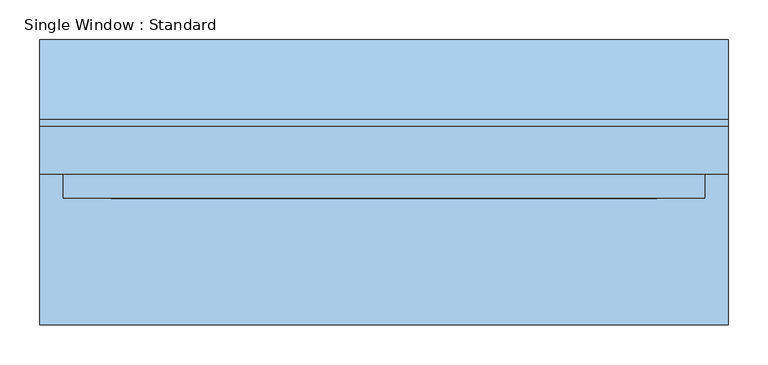
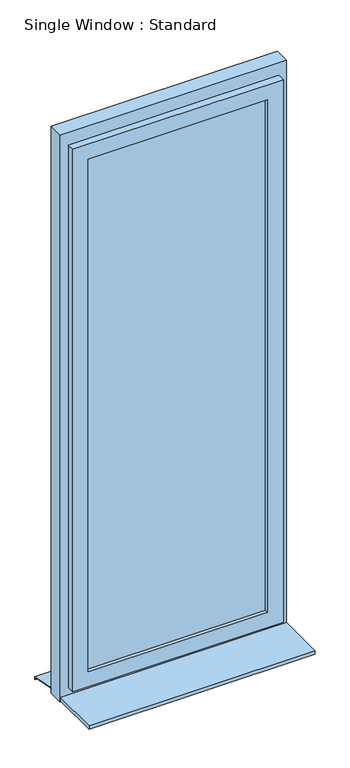
"""IFC4 building model written with IfcOpenShell, lengths in millimetres: window geometry, Single Window : Standard."""

from ifc_helpers import new_model, si_unit, frame, origin, place, context, project, spatial, polyline, outline, extrude, faceted_brep, source, transform, mapped, element, save


def single_window_standard_a6da5384(model_context):
    return source(origin(), model_context, "Body", "SolidModel", [
        extrude(outline(polyline([(344.2682986, -5.0), (-344.2682986, -5.0), (-344.2682986, 25.0), (344.2682986, 25.0), (344.2682986, -5.0)])), frame((0.0, 0.0, 1110.0), z_axis=(0.0, 0.0, 1.0), x_axis=(1.0, 0.0, 0.0)), (0.0, 0.0, 1.0), 2080.0),
        faceted_brep([(404.2682986, 10.0, 3250.0), (404.2682986, -20.0, 3250.0), (404.2682986, -20.0, 1050.0), (404.2682986, 10.0, 1050.0), (374.2682986, 40.0, 3220.0), (374.2682986, 10.0, 3220.0), (374.2682986, 10.0, 1080.0), (374.2682986, 40.0, 1080.0), (344.2682986, -20.0, 3190.0), (344.2682986, 40.0, 3190.0), (344.2682986, 40.0, 1110.0), (344.2682986, -20.0, 1110.0), (-404.2682986, -20.0, 1050.0), (-404.2682986, 10.0, 1050.0), (-374.2682986, 10.0, 1080.0), (-374.2682986, 40.0, 1080.0), (-344.2682986, 40.0, 1110.0), (-344.2682986, -20.0, 1110.0), (-404.2682986, -20.0, 3250.0), (-404.2682986, 10.0, 3250.0), (-374.2682986, 10.0, 3220.0), (-374.2682986, 40.0, 3220.0), (-344.2682986, 40.0, 3190.0), (-344.2682986, -20.0, 3190.0)], [[[0, 1, 2, 3]], [[4, 5, 6, 7]], [[8, 9, 10, 11]], [[3, 2, 12, 13]], [[7, 6, 14, 15]], [[11, 10, 16, 17]], [[13, 12, 18, 19]], [[15, 14, 20, 21]], [[17, 16, 22, 23]], [[19, 18, 1, 0]], [[3, 13, 19, 0], [5, 20, 14, 6]], [[21, 20, 5, 4]], [[7, 15, 21, 4], [9, 22, 16, 10]], [[23, 22, 9, 8]], [[1, 18, 12, 2], [11, 17, 23, 8]]]),
        extrude(outline(polyline([(3300.0, 434.2682986), (3300.0, -434.2682986), (1000.0, -434.2682986), (1000.0, 434.2682986), (3300.0, 434.2682986)]), holes=[polyline([(3220.0, 374.2682986), (1080.0, 374.2682986), (1080.0, -374.2682986), (3220.0, -374.2682986), (3220.0, 374.2682986)])]), frame((0.0, 10.0, 0.0), z_axis=(0.0, 1.0, 0.0), x_axis=(0.0, 0.0, 1.0)), (0.0, 0.0, 1.0), 60.0),
        extrude(outline(polyline([(80.0221543, 1020.0), (180.0, 1000.0), (180.0, 990.0), (178.0, 990.0), (178.0, 998.3604634), (79.8240723, 1018.0), (70.0, 1018.0), (70.0, 1020.0), (80.0221543, 1020.0)])), frame((-434.2682986, 0.0, 0.0), z_axis=(1.0, 0.0, 0.0), x_axis=(0.0, 1.0, 0.0)), (0.0, 0.0, 1.0), 868.5365972),
        extrude(outline(polyline([(-434.2682986, -180.0), (-434.2682986, 10.0), (434.2682986, 10.0), (434.2682986, -180.0), (-434.2682986, -180.0)])), frame((0.0, 0.0, 1005.0), z_axis=(0.0, 0.0, 1.0), x_axis=(1.0, 0.0, 0.0)), (0.0, 0.0, 1.0), 15.0),
    ])


if __name__ == "__main__":
    model = new_model("IFC4")
    model_context = context("Model", 3, world=origin())
    ifc_project = project(units=[si_unit("LENGTHUNIT", "METRE", prefix="MILLI")], contexts=[model_context])
    site = spatial("IfcSite", under=ifc_project)
    building = spatial("IfcBuilding", under=site)
    placement = place(None, origin())
    single_window_standard_shape = single_window_standard_a6da5384(model_context)
    element("IfcWindow", 1, ObjectType="Single Window : Standard", at=placement, inside=building, context=model_context, shape_type="MappedRepresentation", body=[
        mapped(single_window_standard_shape, transform((0.0, 0.0, 0.0), x_axis=(1.0, 0.0, 0.0), y_axis=(0.0, 1.0, 0.0), z_axis=(0.0, 0.0, 1.0))),
    ])
    save(model, "model.ifc")
